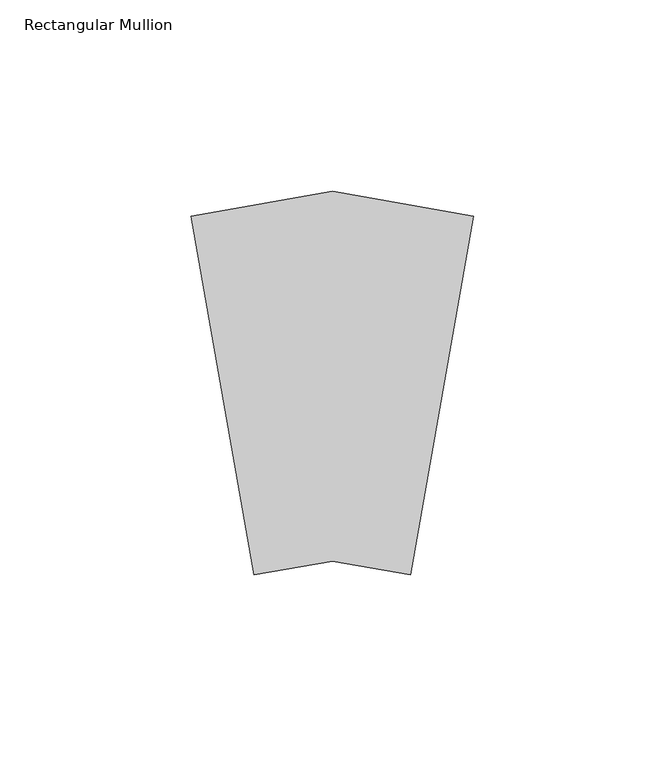
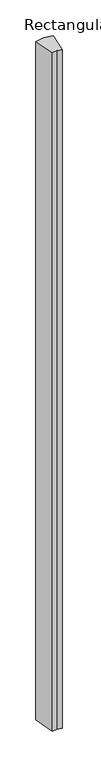
"""IFC4 building model written with IfcOpenShell, lengths in millimetres: member geometry, Rectangular Mullion."""

import ifcopenshell
import ifcopenshell.guid

model = None  # the IFC model being written
_history = None  # IfcOwnerHistory: only IFC2X3 demands one
_inside = {}  # id of a spatial element -> (the spatial element, [elements in it])
_under = {}  # id of a project, library or spatial element -> (it, [spatial elements below it])
_declared = {}  # id of a project -> (the project, [libraries it declares])
_typed = {}  # id of a type object -> (the type object, [elements of that type])
_made_of = {}  # id of a material, layer set ... -> (it, [elements and type objects made of it])


def new_model(schema):
    """Start an empty IFC model of exactly this schema.

    Asked for "IFC4X3", IfcOpenShell would pick the latest addendum, in which some entities
    have other attributes; the version numbers below select the first issue.
    IFC2X3 requires an IfcOwnerHistory on every rooted entity: one is made here for all.
    """
    global model, _history
    if schema == "IFC4X3":
        model = ifcopenshell.file(schema_version=(4, 3, 0, 0))
    else:
        model = ifcopenshell.file(schema=schema)
    _inside.clear()
    _under.clear()
    _declared.clear()
    _typed.clear()
    _made_of.clear()
    _history = None
    if model.schema == "IFC2X3":
        org = make("IfcOrganization", Name="unknown")
        user = make(
            "IfcPersonAndOrganization",
            ThePerson=make("IfcPerson", FamilyName="unknown"),
            TheOrganization=org,
        )
        app = make(
            "IfcApplication",
            ApplicationDeveloper=org,
            Version="unknown",
            ApplicationFullName="unknown",
            ApplicationIdentifier="unknown",
        )
        _history = make(
            "IfcOwnerHistory",
            OwningUser=user,
            OwningApplication=app,
            ChangeAction="ADDED",
            CreationDate=0,
        )
    return model


def make(cls, **values):
    """One entity of the class cls with the attributes given. An attribute that is None is left unset."""
    return model.create_entity(
        cls, **{name: value for name, value in values.items() if value is not None}
    )


def rooted(cls, **values):
    """An entity with a GlobalId (a new one), such as an element, a storey or a relation."""
    return make(cls, GlobalId=ifcopenshell.guid.new(), OwnerHistory=_history, **values)


def si_unit(unit_type, name, prefix=None):
    """IfcSIUnit, for example si_unit("LENGTHUNIT", "METRE", prefix="MILLI")."""
    return make("IfcSIUnit", UnitType=unit_type, Prefix=prefix, Name=name)


def assignment(units):
    """IfcUnitAssignment: the units of a project."""
    return None if units is None else make("IfcUnitAssignment", Units=units)


def point(xyz):
    """IfcCartesianPoint."""
    return None if xyz is None else make("IfcCartesianPoint", Coordinates=xyz)


def direction(xyz):
    """IfcDirection."""
    return None if xyz is None else make("IfcDirection", DirectionRatios=xyz)


def frame(location, z_axis=None, x_axis=None):
    """IfcAxis2Placement3D, a coordinate frame: its origin and axes. An axis left out is left unset."""
    return make(
        "IfcAxis2Placement3D",
        Location=point(location),
        Axis=direction(z_axis),
        RefDirection=direction(x_axis),
    )


def origin():
    """The frame at (0, 0, 0) with its axes left unset."""
    return frame((0.0, 0.0, 0.0))


def place(relative_to, where):
    """IfcLocalPlacement: puts the frame where relative to a parent placement (None: the world)."""
    return make(
        "IfcLocalPlacement", PlacementRelTo=relative_to, RelativePlacement=where
    )


def context(
    kind, dimensions, precision=None, world=None, true_north=None, identifier=None
):
    """IfcGeometricRepresentationContext, for example the 3D "Model" context."""
    return make(
        "IfcGeometricRepresentationContext",
        ContextIdentifier=identifier,
        ContextType=kind,
        CoordinateSpaceDimension=dimensions,
        Precision=precision,
        WorldCoordinateSystem=world,
        TrueNorth=true_north,
    )


def project(units=None, contexts=None):
    """IfcProject with its units and contexts."""
    return rooted(
        "IfcProject",
        Name="project",
        RepresentationContexts=contexts,
        UnitsInContext=assignment(units),
    )


def spatial(cls, under=None, at=None, **own):
    """A site, building, storey or space (cls), placed at a placement, below another one or the project."""
    s = rooted(cls, ObjectPlacement=at, **own)
    if under is not None:
        _under.setdefault(under.id(), (under, []))[1].append(s)
    return s


def polyline(points):
    """IfcPolyline through the points."""
    return make("IfcPolyline", Points=[point(p) for p in points])


def outline(outer, holes=None, kind="AREA"):
    """IfcArbitraryClosedProfileDef: a profile drawn as a closed curve; with holes, ...WithVoids."""
    if holes is None:
        return make("IfcArbitraryClosedProfileDef", ProfileType=kind, OuterCurve=outer)
    return make(
        "IfcArbitraryProfileDefWithVoids",
        ProfileType=kind,
        OuterCurve=outer,
        InnerCurves=holes,
    )


def extrude(swept, where, along, depth):
    """IfcExtrudedAreaSolid: the profile swept, set in the frame where, extruded along a direction by depth."""
    return make(
        "IfcExtrudedAreaSolid",
        SweptArea=swept,
        Position=where,
        ExtrudedDirection=direction(along),
        Depth=depth,
    )


def shape(context_of_items, identifier, shape_type, items):
    """IfcShapeRepresentation: the items that make up one representation, for example the "Body"."""
    return make(
        "IfcShapeRepresentation",
        ContextOfItems=context_of_items,
        RepresentationIdentifier=identifier,
        RepresentationType=shape_type,
        Items=items,
    )


def source(mapping_origin, context_of_items, identifier, shape_type, items):
    """IfcRepresentationMap: a shape defined once, which mapped items show again and again."""
    return make(
        "IfcRepresentationMap",
        MappingOrigin=mapping_origin,
        MappedRepresentation=shape(context_of_items, identifier, shape_type, items),
    )


def transform(
    local_origin,
    x_axis=None,
    y_axis=None,
    z_axis=None,
    scale=None,
    scale2=None,
    scale3=None,
    uniform=True,
):
    """IfcCartesianTransformationOperator3D, or its non-uniform kind. x_axis, y_axis, z_axis: its Axis1, 2, 3."""
    if uniform:
        return make(
            "IfcCartesianTransformationOperator3D",
            Axis1=direction(x_axis),
            Axis2=direction(y_axis),
            LocalOrigin=point(local_origin),
            Scale=scale,
            Axis3=direction(z_axis),
        )
    return make(
        "IfcCartesianTransformationOperator3DnonUniform",
        Axis1=direction(x_axis),
        Axis2=direction(y_axis),
        LocalOrigin=point(local_origin),
        Scale=scale,
        Axis3=direction(z_axis),
        Scale2=scale2,
        Scale3=scale3,
    )


def mapped(mapping_source, mapping_target):
    """IfcMappedItem: shows the shape of a source again, moved by a transform."""
    return make(
        "IfcMappedItem", MappingSource=mapping_source, MappingTarget=mapping_target
    )


def made_of(thing, what):
    """Note that an element or type object is made of a material, layer set ...; save() writes the relation."""
    if what is not None:
        _made_of.setdefault(what.id(), (what, []))[1].append(thing)
    return thing


def element(
    cls,
    number,
    at=None,
    inside=None,
    cuts=None,
    type_object=None,
    material=None,
    context=None,
    identifier="Body",
    shape_type=None,
    held_by="IfcProductDefinitionShape",
    body=None,
    shapes=None,
    **own,
):
    """One element of the class cls, such as IfcWall. Its Tag is "e" and its number.

    at: its placement. inside: the storey or other place that contains it. cuts: it is an
    opening in that element (IfcRelVoidsElement). A single representation is given by context,
    identifier, shape_type and body (its items); several are given by shapes. held_by: the class
    of the entity that holds the representations. save() writes the other relations.
    """
    e = rooted(cls, Tag="e%d" % number, ObjectPlacement=at, **own)
    if body is not None:
        shapes = [shape(context, identifier, shape_type, body)]
    if shapes is not None:
        e.Representation = make(held_by, Representations=shapes)
    if inside is not None:
        _inside.setdefault(inside.id(), (inside, []))[1].append(e)
    if cuts is not None:
        rooted(
            "IfcRelVoidsElement", RelatingBuildingElement=cuts, RelatedOpeningElement=e
        )
    if type_object is not None:
        _typed.setdefault(type_object.id(), (type_object, []))[1].append(e)
    return made_of(e, material)


def aggregate(whole, parts):
    """IfcRelAggregates: a whole, such as a stair, and the parts it consists of."""
    return rooted("IfcRelAggregates", RelatingObject=whole, RelatedObjects=parts)


def save(model, path):
    """Write the relations noted so far, then the file.

    IfcRelAggregates (storeys below a building ...), IfcRelContainedInSpatialStructure (elements
    in a storey), IfcRelDefinesByType, IfcRelAssociatesMaterial and IfcRelDeclares: one each for
    every whole, place, type object, material and project.
    """
    for whole, parts in _under.values():
        aggregate(whole, parts)
    for where, things in _inside.values():
        rooted(
            "IfcRelContainedInSpatialStructure",
            RelatedElements=things,
            RelatingStructure=where,
        )
    for kind, things in _typed.values():
        rooted("IfcRelDefinesByType", RelatedObjects=things, RelatingType=kind)
    for what, things in _made_of.values():
        rooted("IfcRelAssociatesMaterial", RelatedObjects=things, RelatingMaterial=what)
    for by, libraries in _declared.values():
        rooted("IfcRelDeclares", RelatingContext=by, RelatedDefinitions=libraries)
    model.write(path)


def rectangular_mullion_d836126f(model_context):
    return source(origin(), model_context, "Body", "SweptSolid", [
        extrude(outline(polyline([(-57.4149628, -130.8595808), (-73.9549518, -37.0566423), (-36.9774759, -30.5365156), (0.0, -37.0566423), (-16.5399889, -130.8595808), (-36.9774759, -127.2559004), (-57.4149628, -130.8595808)])), frame((0.0, 0.0, -3048.0), z_axis=(0.0, 0.0, 1.0), x_axis=(1.0, 0.0, 0.0)), (0.0, 0.0, 1.0), 3048.0),
    ])


if __name__ == "__main__":
    model = new_model("IFC4")
    model_context = context("Model", 3, world=origin())
    ifc_project = project(units=[si_unit("LENGTHUNIT", "METRE", prefix="MILLI")], contexts=[model_context])
    site = spatial("IfcSite", under=ifc_project)
    building = spatial("IfcBuilding", under=site)
    placement = place(None, origin())
    rectangular_mullion_shape = rectangular_mullion_d836126f(model_context)
    element("IfcMember", 1, ObjectType="Rectangular Mullion", at=placement, inside=building, context=model_context, shape_type="MappedRepresentation", body=[
        mapped(rectangular_mullion_shape, transform((0.0, 0.0, 0.0), x_axis=(1.0, 0.0, 0.0), y_axis=(0.0, 1.0, 0.0), z_axis=(0.0, 0.0, 1.0))),
    ])
    save(model, "model.ifc")
